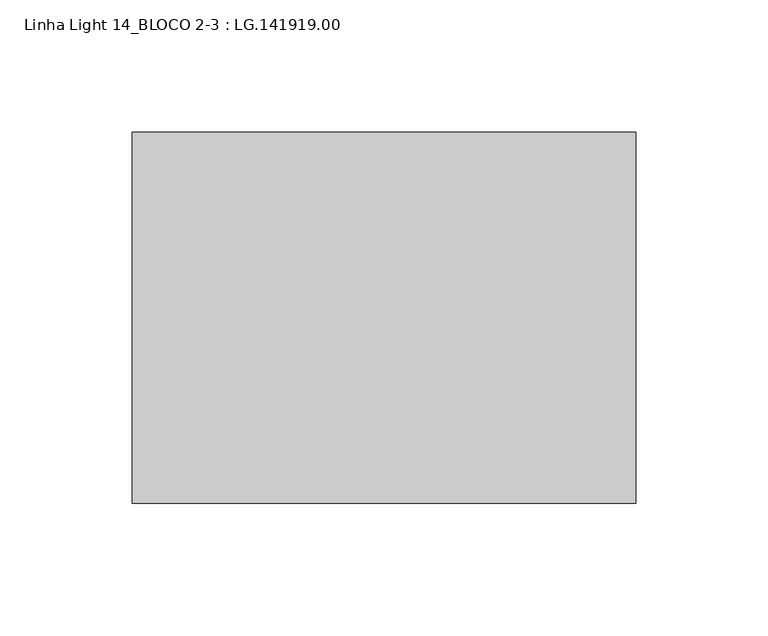
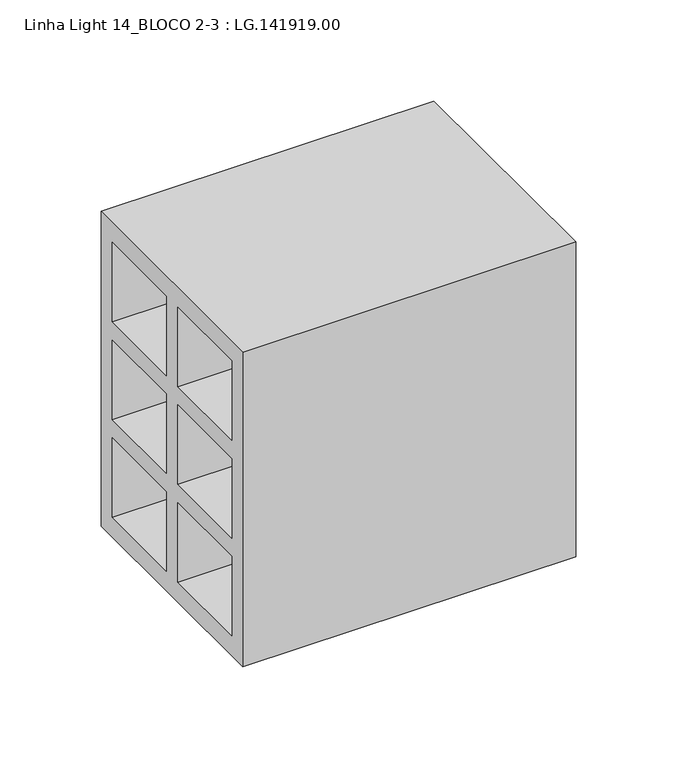
"""IFC4 building model written with IfcOpenShell, lengths in millimetres: proxy geometry, Linha Light 14_BLOCO 2-3 : LG.141919.00."""

from ifc_helpers import new_model, si_unit, frame, origin, place, context, project, spatial, polyline, outline, extrude, source, transform, mapped, element, save


def linha_light_14_bloco_2_3_lg_141919_00_4f04c60c(model_context):
    return source(origin(), model_context, "Body", "SweptSolid", [
        extrude(outline(polyline([(-70.0, 0.0), (-70.0, 190.0), (70.0, 190.0), (70.0, 0.0), (-70.0, 0.0)]), holes=[polyline([(5.5, 178.0), (5.5, 130.0), (59.0, 130.0), (59.0, 178.0), (5.5, 178.0)]), polyline([(-59.0, 178.0), (-59.0, 130.0), (-5.5, 130.0), (-5.5, 178.0), (-59.0, 178.0)]), polyline([(-5.5, 119.0), (-59.0, 119.0), (-59.0, 71.0), (-5.5, 71.0), (-5.5, 119.0)]), polyline([(59.0, 71.0), (59.0, 119.0), (5.5, 119.0), (5.5, 71.0), (59.0, 71.0)]), polyline([(59.0, 60.0), (5.5, 60.0), (5.5, 12.0), (59.0, 12.0), (59.0, 60.0)]), polyline([(-5.5, 60.0), (-59.0, 60.0), (-59.0, 12.0), (-5.5, 12.0), (-5.5, 60.0)])]), frame((5.0, 0.0, 0.0), z_axis=(1.0, 0.0, 0.0), x_axis=(0.0, 1.0, 0.0)), (0.0, 0.0, 1.0), 190.0),
    ])


if __name__ == "__main__":
    model = new_model("IFC4")
    model_context = context("Model", 3, world=origin())
    ifc_project = project(units=[si_unit("LENGTHUNIT", "METRE", prefix="MILLI")], contexts=[model_context])
    site = spatial("IfcSite", under=ifc_project)
    building = spatial("IfcBuilding", under=site)
    placement = place(None, origin())
    linha_light_14_bloco_2_3_lg_141919_00_shape = linha_light_14_bloco_2_3_lg_141919_00_4f04c60c(model_context)
    element("IfcBuildingElementProxy", 1, Name="Linha Light 14_BLOCO 2-3 : LG.141919.00", ObjectType="Linha Light 14_BLOCO 2-3 : LG.141919.00", at=placement, inside=building, context=model_context, shape_type="MappedRepresentation", body=[
        mapped(linha_light_14_bloco_2_3_lg_141919_00_shape, transform((0.0, 0.0, 0.0), x_axis=(1.0, 0.0, 0.0), y_axis=(0.0, 1.0, 0.0), z_axis=(0.0, 0.0, 1.0))),
    ])
    save(model, "model.ifc")
